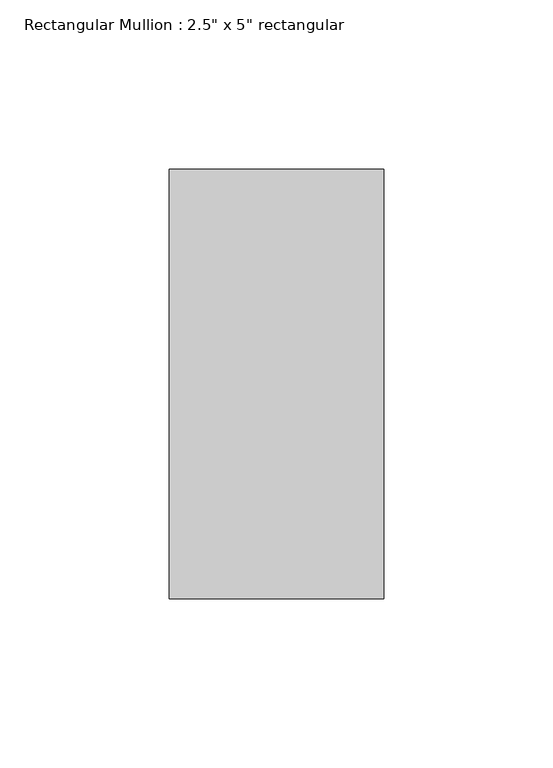
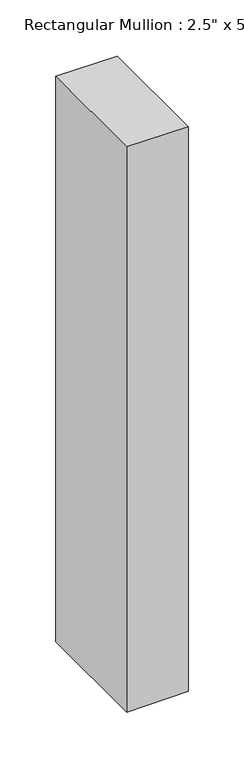
"""IFC4 building model written with IfcOpenShell, lengths in millimetres: member geometry."""

from ifc_helpers import new_model, si_unit, frame, origin, place, context, project, spatial, polyline, outline, extrude, source, transform, mapped, element, save


def member_65295c60(model_context):
    return source(origin(), model_context, "Body", "SweptSolid", [
        extrude(outline(polyline([(0.0, 0.0), (0.4391945, -63.5), (-617.9964891, -63.5), (-617.5242628, 0.0), (0.0, 0.0)])), frame((0.0, -63.5, 0.0), z_axis=(0.0, 1.0, 0.0), x_axis=(0.0, 0.0, 1.0)), (0.0, 0.0, 1.0), 127.0),
    ])


if __name__ == "__main__":
    model = new_model("IFC4")
    model_context = context("Model", 3, world=origin())
    ifc_project = project(units=[si_unit("LENGTHUNIT", "METRE", prefix="MILLI")], contexts=[model_context])
    site = spatial("IfcSite", under=ifc_project)
    building = spatial("IfcBuilding", under=site)
    placement = place(None, origin())
    member_shape = member_65295c60(model_context)
    element("IfcMember", 1, ObjectType="Rectangular Mullion : 2.5\" x 5\" rectangular", at=placement, inside=building, context=model_context, shape_type="MappedRepresentation", body=[
        mapped(member_shape, transform((0.0, 0.0, 0.0), x_axis=(1.0, 0.0, 0.0), y_axis=(0.0, 1.0, 0.0), z_axis=(0.0, 0.0, 1.0))),
    ])
    save(model, "model.ifc")
